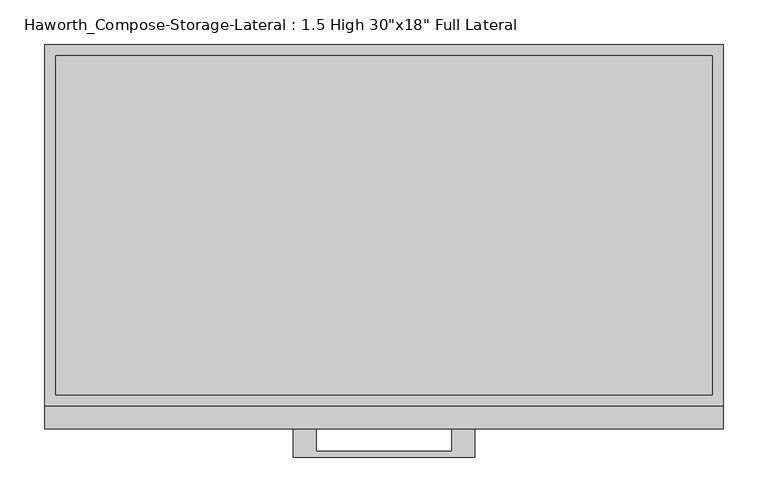
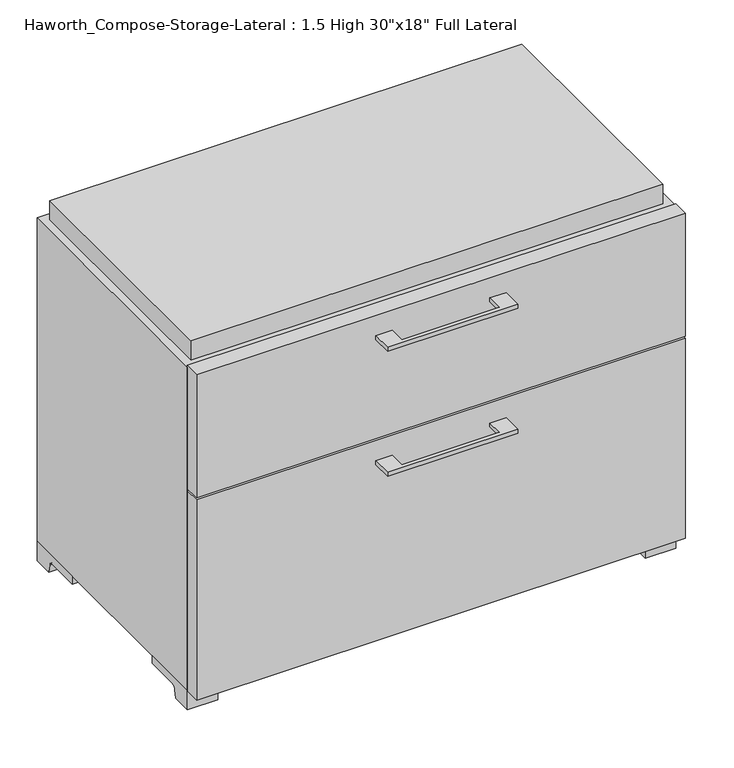
"""IFC4 building model written with IfcOpenShell, lengths in millimetres: furniture geometry."""

import ifcopenshell
import ifcopenshell.guid

model = None  # the IFC model being written
_history = None  # IfcOwnerHistory: only IFC2X3 demands one
_inside = {}  # id of a spatial element -> (the spatial element, [elements in it])
_under = {}  # id of a project, library or spatial element -> (it, [spatial elements below it])
_declared = {}  # id of a project -> (the project, [libraries it declares])
_typed = {}  # id of a type object -> (the type object, [elements of that type])
_made_of = {}  # id of a material, layer set ... -> (it, [elements and type objects made of it])


def new_model(schema):
    """Start an empty IFC model of exactly this schema.

    Asked for "IFC4X3", IfcOpenShell would pick the latest addendum, in which some entities
    have other attributes; the version numbers below select the first issue.
    IFC2X3 requires an IfcOwnerHistory on every rooted entity: one is made here for all.
    """
    global model, _history
    if schema == "IFC4X3":
        model = ifcopenshell.file(schema_version=(4, 3, 0, 0))
    else:
        model = ifcopenshell.file(schema=schema)
    _inside.clear()
    _under.clear()
    _declared.clear()
    _typed.clear()
    _made_of.clear()
    _history = None
    if model.schema == "IFC2X3":
        org = make("IfcOrganization", Name="unknown")
        user = make(
            "IfcPersonAndOrganization",
            ThePerson=make("IfcPerson", FamilyName="unknown"),
            TheOrganization=org,
        )
        app = make(
            "IfcApplication",
            ApplicationDeveloper=org,
            Version="unknown",
            ApplicationFullName="unknown",
            ApplicationIdentifier="unknown",
        )
        _history = make(
            "IfcOwnerHistory",
            OwningUser=user,
            OwningApplication=app,
            ChangeAction="ADDED",
            CreationDate=0,
        )
    return model


def make(cls, **values):
    """One entity of the class cls with the attributes given. An attribute that is None is left unset."""
    return model.create_entity(
        cls, **{name: value for name, value in values.items() if value is not None}
    )


def rooted(cls, **values):
    """An entity with a GlobalId (a new one), such as an element, a storey or a relation."""
    return make(cls, GlobalId=ifcopenshell.guid.new(), OwnerHistory=_history, **values)


def si_unit(unit_type, name, prefix=None):
    """IfcSIUnit, for example si_unit("LENGTHUNIT", "METRE", prefix="MILLI")."""
    return make("IfcSIUnit", UnitType=unit_type, Prefix=prefix, Name=name)


def assignment(units):
    """IfcUnitAssignment: the units of a project."""
    return None if units is None else make("IfcUnitAssignment", Units=units)


def point(xyz):
    """IfcCartesianPoint."""
    return None if xyz is None else make("IfcCartesianPoint", Coordinates=xyz)


def direction(xyz):
    """IfcDirection."""
    return None if xyz is None else make("IfcDirection", DirectionRatios=xyz)


def frame(location, z_axis=None, x_axis=None):
    """IfcAxis2Placement3D, a coordinate frame: its origin and axes. An axis left out is left unset."""
    return make(
        "IfcAxis2Placement3D",
        Location=point(location),
        Axis=direction(z_axis),
        RefDirection=direction(x_axis),
    )


def frame_2d(location, x_axis=None):
    """IfcAxis2Placement2D, a coordinate frame in the plane: its origin and x axis."""
    return make(
        "IfcAxis2Placement2D", Location=point(location), RefDirection=direction(x_axis)
    )


def origin():
    """The frame at (0, 0, 0) with its axes left unset."""
    return frame((0.0, 0.0, 0.0))


def place(relative_to, where):
    """IfcLocalPlacement: puts the frame where relative to a parent placement (None: the world)."""
    return make(
        "IfcLocalPlacement", PlacementRelTo=relative_to, RelativePlacement=where
    )


def context(
    kind, dimensions, precision=None, world=None, true_north=None, identifier=None
):
    """IfcGeometricRepresentationContext, for example the 3D "Model" context."""
    return make(
        "IfcGeometricRepresentationContext",
        ContextIdentifier=identifier,
        ContextType=kind,
        CoordinateSpaceDimension=dimensions,
        Precision=precision,
        WorldCoordinateSystem=world,
        TrueNorth=true_north,
    )


def project(units=None, contexts=None):
    """IfcProject with its units and contexts."""
    return rooted(
        "IfcProject",
        Name="project",
        RepresentationContexts=contexts,
        UnitsInContext=assignment(units),
    )


def spatial(cls, under=None, at=None, **own):
    """A site, building, storey or space (cls), placed at a placement, below another one or the project."""
    s = rooted(cls, ObjectPlacement=at, **own)
    if under is not None:
        _under.setdefault(under.id(), (under, []))[1].append(s)
    return s


def polyline(points):
    """IfcPolyline through the points."""
    return make("IfcPolyline", Points=[point(p) for p in points])


def circle_curve(where, radius):
    """IfcCircle in the frame where."""
    return make("IfcCircle", Position=where, Radius=radius)


def trimmed(basis, trim1, trim2, sense, master):
    """IfcTrimmedCurve: the piece of a basis curve between two trims."""
    return make(
        "IfcTrimmedCurve",
        BasisCurve=basis,
        Trim1=trim1,
        Trim2=trim2,
        SenseAgreement=sense,
        MasterRepresentation=master,
    )


def segment(curve, same_sense, transition):
    """IfcCompositeCurveSegment."""
    return make(
        "IfcCompositeCurveSegment",
        Transition=transition,
        SameSense=same_sense,
        ParentCurve=curve,
    )


def composite_curve(segments, self_intersect=None):
    """IfcCompositeCurve: segments joined end to end."""
    return make("IfcCompositeCurve", Segments=segments, SelfIntersect=self_intersect)


def outline(outer, holes=None, kind="AREA"):
    """IfcArbitraryClosedProfileDef: a profile drawn as a closed curve; with holes, ...WithVoids."""
    if holes is None:
        return make("IfcArbitraryClosedProfileDef", ProfileType=kind, OuterCurve=outer)
    return make(
        "IfcArbitraryProfileDefWithVoids",
        ProfileType=kind,
        OuterCurve=outer,
        InnerCurves=holes,
    )


def extrude(swept, where, along, depth):
    """IfcExtrudedAreaSolid: the profile swept, set in the frame where, extruded along a direction by depth."""
    return make(
        "IfcExtrudedAreaSolid",
        SweptArea=swept,
        Position=where,
        ExtrudedDirection=direction(along),
        Depth=depth,
    )


def shape(context_of_items, identifier, shape_type, items):
    """IfcShapeRepresentation: the items that make up one representation, for example the "Body"."""
    return make(
        "IfcShapeRepresentation",
        ContextOfItems=context_of_items,
        RepresentationIdentifier=identifier,
        RepresentationType=shape_type,
        Items=items,
    )


def source(mapping_origin, context_of_items, identifier, shape_type, items):
    """IfcRepresentationMap: a shape defined once, which mapped items show again and again."""
    return make(
        "IfcRepresentationMap",
        MappingOrigin=mapping_origin,
        MappedRepresentation=shape(context_of_items, identifier, shape_type, items),
    )


def transform(
    local_origin,
    x_axis=None,
    y_axis=None,
    z_axis=None,
    scale=None,
    scale2=None,
    scale3=None,
    uniform=True,
):
    """IfcCartesianTransformationOperator3D, or its non-uniform kind. x_axis, y_axis, z_axis: its Axis1, 2, 3."""
    if uniform:
        return make(
            "IfcCartesianTransformationOperator3D",
            Axis1=direction(x_axis),
            Axis2=direction(y_axis),
            LocalOrigin=point(local_origin),
            Scale=scale,
            Axis3=direction(z_axis),
        )
    return make(
        "IfcCartesianTransformationOperator3DnonUniform",
        Axis1=direction(x_axis),
        Axis2=direction(y_axis),
        LocalOrigin=point(local_origin),
        Scale=scale,
        Axis3=direction(z_axis),
        Scale2=scale2,
        Scale3=scale3,
    )


def mapped(mapping_source, mapping_target):
    """IfcMappedItem: shows the shape of a source again, moved by a transform."""
    return make(
        "IfcMappedItem", MappingSource=mapping_source, MappingTarget=mapping_target
    )


def made_of(thing, what):
    """Note that an element or type object is made of a material, layer set ...; save() writes the relation."""
    if what is not None:
        _made_of.setdefault(what.id(), (what, []))[1].append(thing)
    return thing


def element(
    cls,
    number,
    at=None,
    inside=None,
    cuts=None,
    type_object=None,
    material=None,
    context=None,
    identifier="Body",
    shape_type=None,
    held_by="IfcProductDefinitionShape",
    body=None,
    shapes=None,
    **own,
):
    """One element of the class cls, such as IfcWall. Its Tag is "e" and its number.

    at: its placement. inside: the storey or other place that contains it. cuts: it is an
    opening in that element (IfcRelVoidsElement). A single representation is given by context,
    identifier, shape_type and body (its items); several are given by shapes. held_by: the class
    of the entity that holds the representations. save() writes the other relations.
    """
    e = rooted(cls, Tag="e%d" % number, ObjectPlacement=at, **own)
    if body is not None:
        shapes = [shape(context, identifier, shape_type, body)]
    if shapes is not None:
        e.Representation = make(held_by, Representations=shapes)
    if inside is not None:
        _inside.setdefault(inside.id(), (inside, []))[1].append(e)
    if cuts is not None:
        rooted(
            "IfcRelVoidsElement", RelatingBuildingElement=cuts, RelatedOpeningElement=e
        )
    if type_object is not None:
        _typed.setdefault(type_object.id(), (type_object, []))[1].append(e)
    return made_of(e, material)


def aggregate(whole, parts):
    """IfcRelAggregates: a whole, such as a stair, and the parts it consists of."""
    return rooted("IfcRelAggregates", RelatingObject=whole, RelatedObjects=parts)


def save(model, path):
    """Write the relations noted so far, then the file.

    IfcRelAggregates (storeys below a building ...), IfcRelContainedInSpatialStructure (elements
    in a storey), IfcRelDefinesByType, IfcRelAssociatesMaterial and IfcRelDeclares: one each for
    every whole, place, type object, material and project.
    """
    for whole, parts in _under.values():
        aggregate(whole, parts)
    for where, things in _inside.values():
        rooted(
            "IfcRelContainedInSpatialStructure",
            RelatedElements=things,
            RelatingStructure=where,
        )
    for kind, things in _typed.values():
        rooted("IfcRelDefinesByType", RelatedObjects=things, RelatingType=kind)
    for what, things in _made_of.values():
        rooted("IfcRelAssociatesMaterial", RelatedObjects=things, RelatingMaterial=what)
    for by, libraries in _declared.values():
        rooted("IfcRelDeclares", RelatingContext=by, RelatedDefinitions=libraries)
    model.write(path)


def furniture_63d32be8(model_context):
    return source(origin(), model_context, "Body", "SweptSolid", [
        extrude(outline(polyline([(-76.1860912, -177.8), (-76.1860912, -203.1999758), (76.2138906, -203.1999758), (76.2138906, -177.8), (101.6138846, -177.8), (101.6138846, -209.5499879), (-101.5861033, -209.5499879), (-101.5861033, -177.8), (-76.1860912, -177.8)])), frame((0.0, 0.0, 528.6375506), z_axis=(0.0, 0.0, 1.0), x_axis=(1.0, 0.0, 0.0)), (0.0, 0.0, 1.0), 6.3499758),
        extrude(outline(polyline([(381.0138906, -152.4), (381.0138906, -177.8), (-380.9861094, -177.8), (-380.9861094, -152.4), (381.0138906, -152.4)])), frame((0.0, 0.0, 365.125), z_axis=(0.0, 0.0, 1.0), x_axis=(1.0, 0.0, 0.0)), (0.0, 0.0, 1.0), 203.2),
        extrude(outline(polyline([(-76.1860912, -177.8), (-76.1860912, -203.1999758), (76.2138906, -203.1999758), (76.2138906, -177.8), (101.6138846, -177.8), (101.6138846, -209.5499879), (-101.5861033, -209.5499879), (-101.5861033, -177.8), (-76.1860912, -177.8)])), frame((0.0, 0.0, 322.2625506), z_axis=(0.0, 0.0, 1.0), x_axis=(1.0, 0.0, 0.0)), (0.0, 0.0, 1.0), 6.3499758),
        extrude(outline(polyline([(381.0138906, -152.4), (381.0138906, -177.8), (-380.9861094, -177.8), (-380.9861094, -152.4), (381.0138906, -152.4)])), frame((0.0, 0.0, 31.75), z_axis=(0.0, 0.0, 1.0), x_axis=(1.0, 0.0, 0.0)), (0.0, 0.0, 1.0), 330.2),
        extrude(outline(composite_curve([segment(polyline([(-120.65, 0.0), (-152.4, 0.0), (-152.4, 31.75), (-57.15, 31.75), (-57.15, 19.05), (-112.1833333, 19.05)]), True, "CONTINUOUS"), segment(trimmed(circle_curve(frame_2d((-112.1833333, 12.7)), 6.35), [point((-112.1833333, 19.05))], [point((-118.5333333, 12.7))], True, "CARTESIAN"), True, "CONTINUOUS"), segment(polyline([(-118.5333333, 12.7), (-120.65, 0.0)]), True, "CONTINUOUS")], self_intersect=False)), frame((333.3888906, 0.0, 0.0), z_axis=(1.0, 0.0, 0.0), x_axis=(0.0, 1.0, 0.0)), (0.0, 0.0, 1.0), 47.625),
        extrude(outline(composite_curve([segment(polyline([(222.25, 0.0), (220.1333333, 12.7)]), True, "CONTINUOUS"), segment(trimmed(circle_curve(frame_2d((213.7833333, 12.7)), 6.35), [point((220.1333333, 12.7))], [point((213.7833333, 19.05))], True, "CARTESIAN"), True, "CONTINUOUS"), segment(polyline([(213.7833333, 19.05), (158.75, 19.05), (158.75, 31.75), (254.0, 31.75), (254.0, 0.0), (222.25, 0.0)]), True, "CONTINUOUS")], self_intersect=False)), frame((333.3888906, 0.0, 0.0), z_axis=(1.0, 0.0, 0.0), x_axis=(0.0, 1.0, 0.0)), (0.0, 0.0, 1.0), 47.625),
        extrude(outline(composite_curve([segment(polyline([(-120.65, 0.0), (-152.4, 0.0), (-152.4, 31.75), (-57.15, 31.75), (-57.15, 19.05), (-112.1833333, 19.05)]), True, "CONTINUOUS"), segment(trimmed(circle_curve(frame_2d((-112.1833333, 12.7)), 6.35), [point((-112.1833333, 19.05))], [point((-118.5333333, 12.7))], True, "CARTESIAN"), True, "CONTINUOUS"), segment(polyline([(-118.5333333, 12.7), (-120.65, 0.0)]), True, "CONTINUOUS")], self_intersect=False)), frame((-380.9861094, 0.0, 0.0), z_axis=(1.0, 0.0, 0.0), x_axis=(0.0, 1.0, 0.0)), (0.0, 0.0, 1.0), 47.625),
        extrude(outline(composite_curve([segment(polyline([(222.25, 0.0), (220.1333333, 12.7)]), True, "CONTINUOUS"), segment(trimmed(circle_curve(frame_2d((213.7833333, 12.7)), 6.35), [point((220.1333333, 12.7))], [point((213.7833333, 19.05))], True, "CARTESIAN"), True, "CONTINUOUS"), segment(polyline([(213.7833333, 19.05), (158.75, 19.05), (158.75, 31.75), (254.0, 31.75), (254.0, 0.0), (222.25, 0.0)]), True, "CONTINUOUS")], self_intersect=False)), frame((-380.9861094, 0.0, 0.0), z_axis=(1.0, 0.0, 0.0), x_axis=(0.0, 1.0, 0.0)), (0.0, 0.0, 1.0), 47.625),
        extrude(outline(polyline([(368.3138906, -139.7), (-368.2861094, -139.7), (-368.2861094, 241.3), (368.3138906, 241.3), (368.3138906, -139.7)])), frame((0.0, 0.0, 565.15), z_axis=(0.0, 0.0, 1.0), x_axis=(1.0, 0.0, 0.0)), (0.0, 0.0, 1.0), 31.75),
        extrude(outline(polyline([(31.75, -380.9861094), (31.75, 381.0), (565.15, 381.0), (565.15, -380.9861094), (31.75, -380.9861094)]), holes=[polyline([(50.8, -361.9361094), (546.1, -361.9361094), (546.1, 361.9361094), (50.8, 361.9361094), (50.8, -361.9361094)])]), frame((0.0, -152.4, 0.0), z_axis=(0.0, 1.0, 0.0), x_axis=(0.0, 0.0, 1.0)), (0.0, 0.0, 1.0), 406.4),
        extrude(outline(polyline([(-361.9291641, 219.075), (-361.9291641, 228.6), (361.9569453, 228.6), (361.9569453, 219.075), (-361.9291641, 219.075)])), frame((0.0, 0.0, 50.8), z_axis=(0.0, 0.0, 1.0), x_axis=(1.0, 0.0, 0.0)), (0.0, 0.0, 1.0), 495.3),
    ])


if __name__ == "__main__":
    model = new_model("IFC4")
    model_context = context("Model", 3, world=origin())
    ifc_project = project(units=[si_unit("LENGTHUNIT", "METRE", prefix="MILLI")], contexts=[model_context])
    site = spatial("IfcSite", under=ifc_project)
    building = spatial("IfcBuilding", under=site)
    placement = place(None, origin())
    furniture_shape = furniture_63d32be8(model_context)
    element("IfcFurniture", 1, ObjectType="Haworth_Compose-Storage-Lateral : 1.5 High 30\"x18\" Full Lateral", at=placement, inside=building, context=model_context, shape_type="MappedRepresentation", body=[
        mapped(furniture_shape, transform((0.0, 0.0, 0.0), x_axis=(1.0, 0.0, 0.0), y_axis=(0.0, 1.0, 0.0), z_axis=(0.0, 0.0, 1.0))),
    ])
    save(model, "model.ifc")
